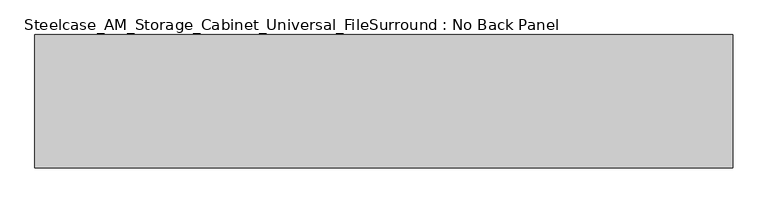
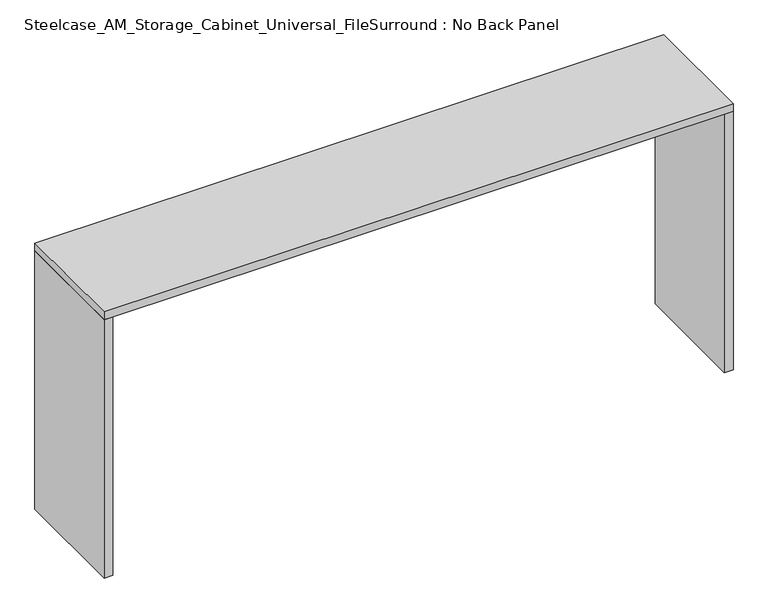
"""IFC4 building model written with IfcOpenShell, lengths in millimetres: furniture geometry, Steelcase_AM_Storage_Cabinet_Universal_FileSurround : No Back Panel."""

from ifc_helpers import new_model, si_unit, frame, origin, origin_with_axes, place, context, project, spatial, polyline, outline, extrude, source, transform, mapped, element, save


def steelcase_am_storage_cabinet_universal_filesurround_no_back_f5f69cf9(model_context):
    return source(origin(), model_context, "Body", "SweptSolid", [
        extrude(outline(polyline([(2356.7517, 0.0), (2356.7517, -449.58), (0.0, -449.58), (0.0, 0.0), (2356.7517, 0.0)])), frame((0.0, 0.0, 1024.1883083), z_axis=(0.0, 0.0, 1.0), x_axis=(1.0, 0.0, 0.0)), (0.0, 0.0, 1.0), 29.9116917),
        extrude(outline(polyline([(2323.7317, 0.0), (2356.7517, 0.0), (2356.7517, -449.58), (2323.7317, -449.58), (2323.7317, 0.0)])), origin_with_axes(), (0.0, 0.0, 1.0), 1024.1883083),
        extrude(outline(polyline([(32.9947882, 0.0), (32.9947882, -449.58), (0.0, -449.58), (0.0, 0.0), (32.9947882, 0.0)])), origin_with_axes(), (0.0, 0.0, 1.0), 1024.1883083),
    ])


if __name__ == "__main__":
    model = new_model("IFC4")
    model_context = context("Model", 3, world=origin())
    ifc_project = project(units=[si_unit("LENGTHUNIT", "METRE", prefix="MILLI")], contexts=[model_context])
    site = spatial("IfcSite", under=ifc_project)
    building = spatial("IfcBuilding", under=site)
    placement = place(None, origin())
    steelcase_am_storage_cabinet_universal_filesurround_no_back_shape = steelcase_am_storage_cabinet_universal_filesurround_no_back_f5f69cf9(model_context)
    element("IfcFurniture", 1, ObjectType="Steelcase_AM_Storage_Cabinet_Universal_FileSurround : No Back Panel", at=placement, inside=building, context=model_context, shape_type="MappedRepresentation", body=[
        mapped(steelcase_am_storage_cabinet_universal_filesurround_no_back_shape, transform((0.0, 0.0, 0.0), x_axis=(1.0, 0.0, 0.0), y_axis=(0.0, 1.0, 0.0), z_axis=(0.0, 0.0, 1.0))),
    ])
    save(model, "model.ifc")
